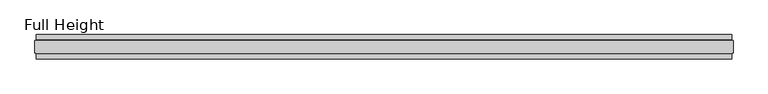
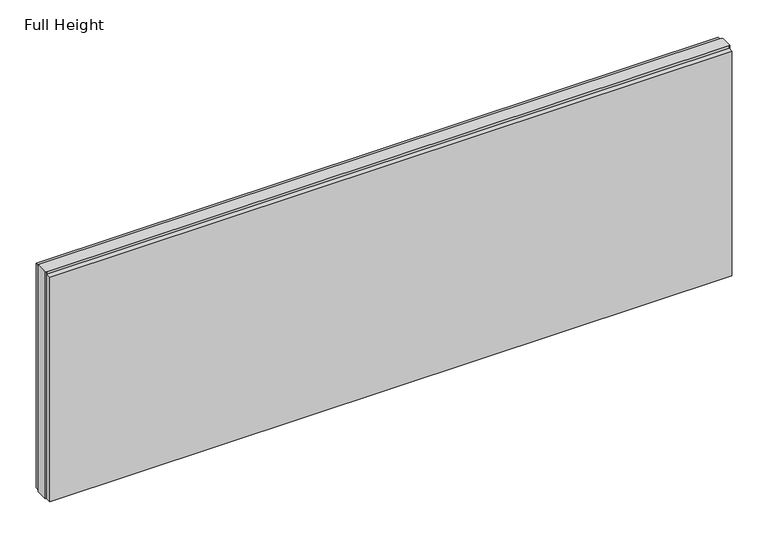
"""IFC4 building model written with IfcOpenShell, lengths in millimetres: plate geometry, Full Height."""

import ifcopenshell
import ifcopenshell.guid

model = None  # the IFC model being written
_history = None  # IfcOwnerHistory: only IFC2X3 demands one
_inside = {}  # id of a spatial element -> (the spatial element, [elements in it])
_under = {}  # id of a project, library or spatial element -> (it, [spatial elements below it])
_declared = {}  # id of a project -> (the project, [libraries it declares])
_typed = {}  # id of a type object -> (the type object, [elements of that type])
_made_of = {}  # id of a material, layer set ... -> (it, [elements and type objects made of it])


def new_model(schema):
    """Start an empty IFC model of exactly this schema.

    Asked for "IFC4X3", IfcOpenShell would pick the latest addendum, in which some entities
    have other attributes; the version numbers below select the first issue.
    IFC2X3 requires an IfcOwnerHistory on every rooted entity: one is made here for all.
    """
    global model, _history
    if schema == "IFC4X3":
        model = ifcopenshell.file(schema_version=(4, 3, 0, 0))
    else:
        model = ifcopenshell.file(schema=schema)
    _inside.clear()
    _under.clear()
    _declared.clear()
    _typed.clear()
    _made_of.clear()
    _history = None
    if model.schema == "IFC2X3":
        org = make("IfcOrganization", Name="unknown")
        user = make(
            "IfcPersonAndOrganization",
            ThePerson=make("IfcPerson", FamilyName="unknown"),
            TheOrganization=org,
        )
        app = make(
            "IfcApplication",
            ApplicationDeveloper=org,
            Version="unknown",
            ApplicationFullName="unknown",
            ApplicationIdentifier="unknown",
        )
        _history = make(
            "IfcOwnerHistory",
            OwningUser=user,
            OwningApplication=app,
            ChangeAction="ADDED",
            CreationDate=0,
        )
    return model


def make(cls, **values):
    """One entity of the class cls with the attributes given. An attribute that is None is left unset."""
    return model.create_entity(
        cls, **{name: value for name, value in values.items() if value is not None}
    )


def rooted(cls, **values):
    """An entity with a GlobalId (a new one), such as an element, a storey or a relation."""
    return make(cls, GlobalId=ifcopenshell.guid.new(), OwnerHistory=_history, **values)


def si_unit(unit_type, name, prefix=None):
    """IfcSIUnit, for example si_unit("LENGTHUNIT", "METRE", prefix="MILLI")."""
    return make("IfcSIUnit", UnitType=unit_type, Prefix=prefix, Name=name)


def assignment(units):
    """IfcUnitAssignment: the units of a project."""
    return None if units is None else make("IfcUnitAssignment", Units=units)


def point(xyz):
    """IfcCartesianPoint."""
    return None if xyz is None else make("IfcCartesianPoint", Coordinates=xyz)


def direction(xyz):
    """IfcDirection."""
    return None if xyz is None else make("IfcDirection", DirectionRatios=xyz)


def frame(location, z_axis=None, x_axis=None):
    """IfcAxis2Placement3D, a coordinate frame: its origin and axes. An axis left out is left unset."""
    return make(
        "IfcAxis2Placement3D",
        Location=point(location),
        Axis=direction(z_axis),
        RefDirection=direction(x_axis),
    )


def origin():
    """The frame at (0, 0, 0) with its axes left unset."""
    return frame((0.0, 0.0, 0.0))


def origin_with_axes():
    """The frame at (0, 0, 0) with the z axis (0, 0, 1) and the x axis (1, 0, 0) written out."""
    return frame((0.0, 0.0, 0.0), z_axis=(0.0, 0.0, 1.0), x_axis=(1.0, 0.0, 0.0))


def place(relative_to, where):
    """IfcLocalPlacement: puts the frame where relative to a parent placement (None: the world)."""
    return make(
        "IfcLocalPlacement", PlacementRelTo=relative_to, RelativePlacement=where
    )


def context(
    kind, dimensions, precision=None, world=None, true_north=None, identifier=None
):
    """IfcGeometricRepresentationContext, for example the 3D "Model" context."""
    return make(
        "IfcGeometricRepresentationContext",
        ContextIdentifier=identifier,
        ContextType=kind,
        CoordinateSpaceDimension=dimensions,
        Precision=precision,
        WorldCoordinateSystem=world,
        TrueNorth=true_north,
    )


def project(units=None, contexts=None):
    """IfcProject with its units and contexts."""
    return rooted(
        "IfcProject",
        Name="project",
        RepresentationContexts=contexts,
        UnitsInContext=assignment(units),
    )


def spatial(cls, under=None, at=None, **own):
    """A site, building, storey or space (cls), placed at a placement, below another one or the project."""
    s = rooted(cls, ObjectPlacement=at, **own)
    if under is not None:
        _under.setdefault(under.id(), (under, []))[1].append(s)
    return s


def polyline(points):
    """IfcPolyline through the points."""
    return make("IfcPolyline", Points=[point(p) for p in points])


def outline(outer, holes=None, kind="AREA"):
    """IfcArbitraryClosedProfileDef: a profile drawn as a closed curve; with holes, ...WithVoids."""
    if holes is None:
        return make("IfcArbitraryClosedProfileDef", ProfileType=kind, OuterCurve=outer)
    return make(
        "IfcArbitraryProfileDefWithVoids",
        ProfileType=kind,
        OuterCurve=outer,
        InnerCurves=holes,
    )


def extrude(swept, where, along, depth):
    """IfcExtrudedAreaSolid: the profile swept, set in the frame where, extruded along a direction by depth."""
    return make(
        "IfcExtrudedAreaSolid",
        SweptArea=swept,
        Position=where,
        ExtrudedDirection=direction(along),
        Depth=depth,
    )


def shape(context_of_items, identifier, shape_type, items):
    """IfcShapeRepresentation: the items that make up one representation, for example the "Body"."""
    return make(
        "IfcShapeRepresentation",
        ContextOfItems=context_of_items,
        RepresentationIdentifier=identifier,
        RepresentationType=shape_type,
        Items=items,
    )


def source(mapping_origin, context_of_items, identifier, shape_type, items):
    """IfcRepresentationMap: a shape defined once, which mapped items show again and again."""
    return make(
        "IfcRepresentationMap",
        MappingOrigin=mapping_origin,
        MappedRepresentation=shape(context_of_items, identifier, shape_type, items),
    )


def transform(
    local_origin,
    x_axis=None,
    y_axis=None,
    z_axis=None,
    scale=None,
    scale2=None,
    scale3=None,
    uniform=True,
):
    """IfcCartesianTransformationOperator3D, or its non-uniform kind. x_axis, y_axis, z_axis: its Axis1, 2, 3."""
    if uniform:
        return make(
            "IfcCartesianTransformationOperator3D",
            Axis1=direction(x_axis),
            Axis2=direction(y_axis),
            LocalOrigin=point(local_origin),
            Scale=scale,
            Axis3=direction(z_axis),
        )
    return make(
        "IfcCartesianTransformationOperator3DnonUniform",
        Axis1=direction(x_axis),
        Axis2=direction(y_axis),
        LocalOrigin=point(local_origin),
        Scale=scale,
        Axis3=direction(z_axis),
        Scale2=scale2,
        Scale3=scale3,
    )


def mapped(mapping_source, mapping_target):
    """IfcMappedItem: shows the shape of a source again, moved by a transform."""
    return make(
        "IfcMappedItem", MappingSource=mapping_source, MappingTarget=mapping_target
    )


def made_of(thing, what):
    """Note that an element or type object is made of a material, layer set ...; save() writes the relation."""
    if what is not None:
        _made_of.setdefault(what.id(), (what, []))[1].append(thing)
    return thing


def element(
    cls,
    number,
    at=None,
    inside=None,
    cuts=None,
    type_object=None,
    material=None,
    context=None,
    identifier="Body",
    shape_type=None,
    held_by="IfcProductDefinitionShape",
    body=None,
    shapes=None,
    **own,
):
    """One element of the class cls, such as IfcWall. Its Tag is "e" and its number.

    at: its placement. inside: the storey or other place that contains it. cuts: it is an
    opening in that element (IfcRelVoidsElement). A single representation is given by context,
    identifier, shape_type and body (its items); several are given by shapes. held_by: the class
    of the entity that holds the representations. save() writes the other relations.
    """
    e = rooted(cls, Tag="e%d" % number, ObjectPlacement=at, **own)
    if body is not None:
        shapes = [shape(context, identifier, shape_type, body)]
    if shapes is not None:
        e.Representation = make(held_by, Representations=shapes)
    if inside is not None:
        _inside.setdefault(inside.id(), (inside, []))[1].append(e)
    if cuts is not None:
        rooted(
            "IfcRelVoidsElement", RelatingBuildingElement=cuts, RelatedOpeningElement=e
        )
    if type_object is not None:
        _typed.setdefault(type_object.id(), (type_object, []))[1].append(e)
    return made_of(e, material)


def aggregate(whole, parts):
    """IfcRelAggregates: a whole, such as a stair, and the parts it consists of."""
    return rooted("IfcRelAggregates", RelatingObject=whole, RelatedObjects=parts)


def save(model, path):
    """Write the relations noted so far, then the file.

    IfcRelAggregates (storeys below a building ...), IfcRelContainedInSpatialStructure (elements
    in a storey), IfcRelDefinesByType, IfcRelAssociatesMaterial and IfcRelDeclares: one each for
    every whole, place, type object, material and project.
    """
    for whole, parts in _under.values():
        aggregate(whole, parts)
    for where, things in _inside.values():
        rooted(
            "IfcRelContainedInSpatialStructure",
            RelatedElements=things,
            RelatingStructure=where,
        )
    for kind, things in _typed.values():
        rooted("IfcRelDefinesByType", RelatedObjects=things, RelatingType=kind)
    for what, things in _made_of.values():
        rooted("IfcRelAssociatesMaterial", RelatedObjects=things, RelatingMaterial=what)
    for by, libraries in _declared.values():
        rooted("IfcRelDeclares", RelatingContext=by, RelatedDefinitions=libraries)
    model.write(path)


def full_height_5c056516(model_context):
    return source(origin(), model_context, "Body", "SweptSolid", [
        extrude(outline(polyline([(1409.8875405, 28.956), (-1409.8875405, 28.956), (-1409.8875405, 49.53), (1409.8875405, 49.53), (1409.8875405, 28.956)])), origin_with_axes(), (0.0, 0.0, 1.0), 981.456),
        extrude(outline(polyline([(1409.8875405, -28.956), (1409.8875405, -49.53), (-1409.8875405, -49.53), (-1409.8875405, -28.956), (1409.8875405, -28.956)])), origin_with_axes(), (0.0, 0.0, 1.0), 981.456),
        extrude(outline(polyline([(1409.8875405, -25.146), (1409.8875405, -26.67), (-1409.8875405, -26.67), (-1409.8875405, -25.146), (-1414.4595405, -25.146), (-1414.4595405, 25.146), (-1409.8875405, 25.146), (-1409.8875405, 26.67), (1409.8875405, 26.67), (1409.8875405, 25.146), (1414.4595405, 25.146), (1414.4595405, -25.146), (1409.8875405, -25.146)])), origin_with_axes(), (0.0, 0.0, 1.0), 990.6),
    ])


if __name__ == "__main__":
    model = new_model("IFC4")
    model_context = context("Model", 3, world=origin())
    ifc_project = project(units=[si_unit("LENGTHUNIT", "METRE", prefix="MILLI")], contexts=[model_context])
    site = spatial("IfcSite", under=ifc_project)
    building = spatial("IfcBuilding", under=site)
    placement = place(None, origin())
    full_height_shape = full_height_5c056516(model_context)
    element("IfcPlate", 1, ObjectType="Full Height", at=placement, inside=building, context=model_context, shape_type="MappedRepresentation", body=[
        mapped(full_height_shape, transform((0.0, 0.0, 0.0), x_axis=(1.0, 0.0, 0.0), y_axis=(0.0, 1.0, 0.0), z_axis=(0.0, 0.0, 1.0))),
    ])
    save(model, "model.ifc")
